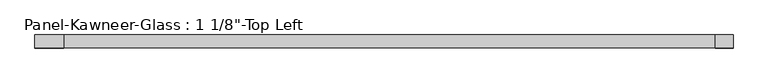
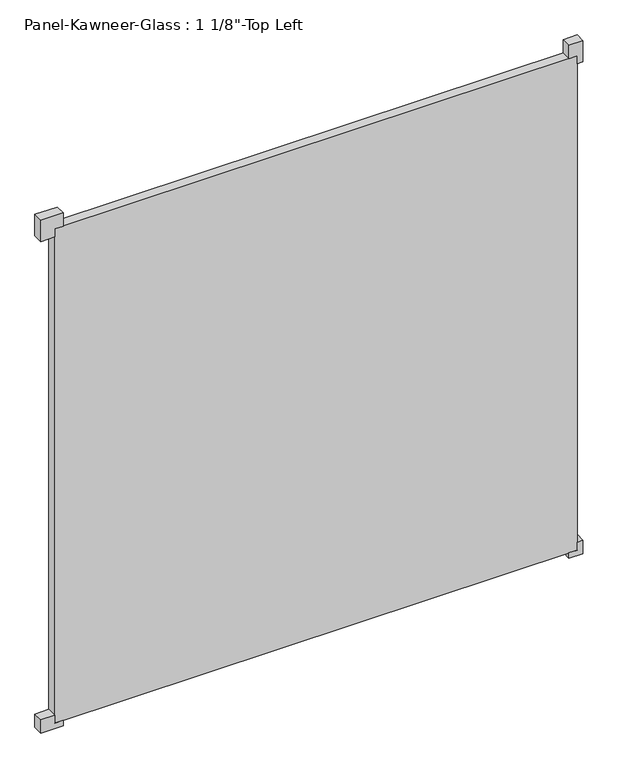
"""IFC4 building model written with IfcOpenShell, lengths in millimetres: plate geometry."""

from ifc_helpers import new_model, si_unit, frame, origin, origin_with_axes, place, context, project, spatial, polyline, outline, extrude, source, transform, mapped, element, save


def plate_6b85a198(model_context):
    return source(origin(), model_context, "Body", "SweptSolid", [
        extrude(outline(polyline([(-15.875, 714.375), (-15.875, 754.0625), (23.8125, 754.0625), (23.8125, 738.1875), (0.0, 738.1875), (0.0, 714.375), (-15.875, 714.375)])), frame((0.0, -14.2210761, 0.0), z_axis=(0.0, 1.0, 0.0), x_axis=(0.0, 0.0, 1.0)), (0.0, 0.0, 1.0), 28.575),
        extrude(outline(polyline([(-15.875, -714.375), (0.0, -714.375), (0.0, -738.1875), (23.8125, -738.1875), (23.8125, -777.875), (-15.875, -777.875), (-15.875, -714.375)])), frame((0.0, -14.2210761, 0.0), z_axis=(0.0, 1.0, 0.0), x_axis=(0.0, 0.0, 1.0)), (0.0, 0.0, 1.0), 28.575),
        extrude(outline(polyline([(1516.0625, 714.375), (1476.375, 714.375), (1476.375, 738.1875), (1452.5625, 738.1875), (1452.5625, 754.0625), (1516.0625, 754.0625), (1516.0625, 714.375)])), frame((0.0, -14.2210761, 0.0), z_axis=(0.0, 1.0, 0.0), x_axis=(0.0, 0.0, 1.0)), (0.0, 0.0, 1.0), 28.575),
        extrude(outline(polyline([(1516.0625, -714.375), (1516.0625, -777.875), (1452.5625, -777.875), (1452.5625, -738.1875), (1476.375, -738.1875), (1476.375, -714.375), (1516.0625, -714.375)])), frame((0.0, -14.2210761, 0.0), z_axis=(0.0, 1.0, 0.0), x_axis=(0.0, 0.0, 1.0)), (0.0, 0.0, 1.0), 28.575),
        extrude(outline(polyline([(738.1875, 14.3539239), (738.1875, -14.2210761), (-738.1875, -14.2210761), (-738.1875, 14.3539239), (738.1875, 14.3539239)])), origin_with_axes(), (0.0, 0.0, 1.0), 1476.375),
    ])


if __name__ == "__main__":
    model = new_model("IFC4")
    model_context = context("Model", 3, world=origin())
    ifc_project = project(units=[si_unit("LENGTHUNIT", "METRE", prefix="MILLI")], contexts=[model_context])
    site = spatial("IfcSite", under=ifc_project)
    building = spatial("IfcBuilding", under=site)
    placement = place(None, origin())
    plate_shape = plate_6b85a198(model_context)
    element("IfcPlate", 1, ObjectType="Panel-Kawneer-Glass : 1 1/8\"-Top Left", at=placement, inside=building, context=model_context, shape_type="MappedRepresentation", body=[
        mapped(plate_shape, transform((0.0, 0.0, 0.0), x_axis=(1.0, 0.0, 0.0), y_axis=(0.0, 1.0, 0.0), z_axis=(0.0, 0.0, 1.0))),
    ])
    save(model, "model.ifc")
